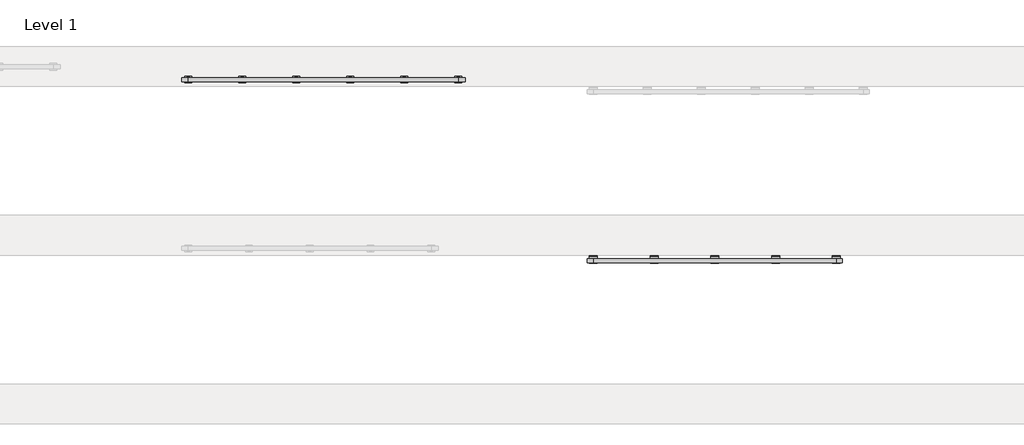
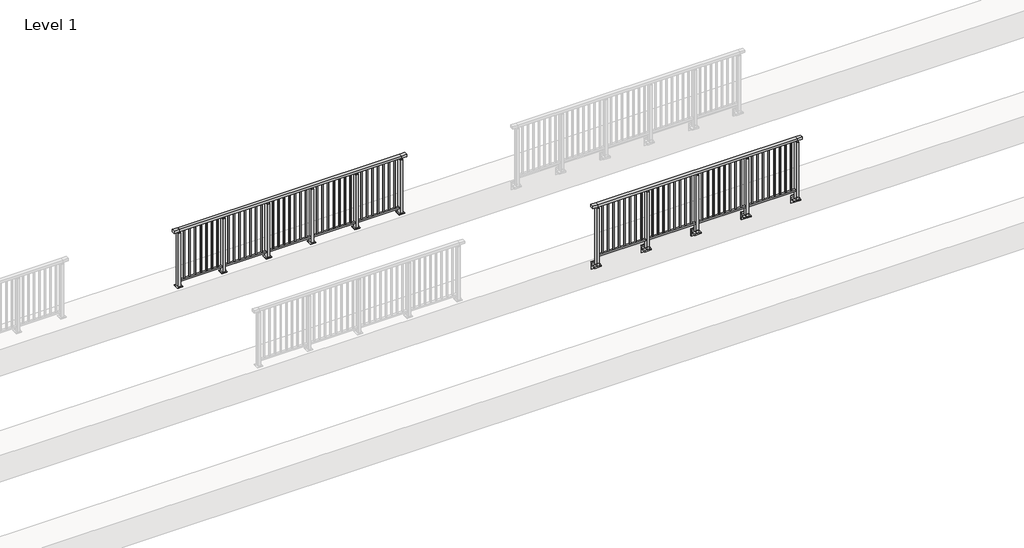
# One storey, part 15 of 37: 2 railings.
"""IFC4 building model written with IfcOpenShell, lengths in millimetres."""

import ifcopenshell
import ifcopenshell.guid

model = None  # the IFC model being written
_history = None  # IfcOwnerHistory: only IFC2X3 demands one
_inside = {}  # id of a spatial element -> (the spatial element, [elements in it])
_under = {}  # id of a project, library or spatial element -> (it, [spatial elements below it])
_declared = {}  # id of a project -> (the project, [libraries it declares])
_typed = {}  # id of a type object -> (the type object, [elements of that type])
_made_of = {}  # id of a material, layer set ... -> (it, [elements and type objects made of it])


def new_model(schema):
    """Start an empty IFC model of exactly this schema.

    Asked for "IFC4X3", IfcOpenShell would pick the latest addendum, in which some entities
    have other attributes; the version numbers below select the first issue.
    IFC2X3 requires an IfcOwnerHistory on every rooted entity: one is made here for all.
    """
    global model, _history
    if schema == "IFC4X3":
        model = ifcopenshell.file(schema_version=(4, 3, 0, 0))
    else:
        model = ifcopenshell.file(schema=schema)
    _inside.clear()
    _under.clear()
    _declared.clear()
    _typed.clear()
    _made_of.clear()
    _history = None
    if model.schema == "IFC2X3":
        org = make("IfcOrganization", Name="unknown")
        user = make(
            "IfcPersonAndOrganization",
            ThePerson=make("IfcPerson", FamilyName="unknown"),
            TheOrganization=org,
        )
        app = make(
            "IfcApplication",
            ApplicationDeveloper=org,
            Version="unknown",
            ApplicationFullName="unknown",
            ApplicationIdentifier="unknown",
        )
        _history = make(
            "IfcOwnerHistory",
            OwningUser=user,
            OwningApplication=app,
            ChangeAction="ADDED",
            CreationDate=0,
        )
    return model


def make(cls, **values):
    """One entity of the class cls with the attributes given. An attribute that is None is left unset."""
    return model.create_entity(
        cls, **{name: value for name, value in values.items() if value is not None}
    )


def rooted(cls, **values):
    """An entity with a GlobalId (a new one), such as an element, a storey or a relation."""
    return make(cls, GlobalId=ifcopenshell.guid.new(), OwnerHistory=_history, **values)


def si_unit(unit_type, name, prefix=None):
    """IfcSIUnit, for example si_unit("LENGTHUNIT", "METRE", prefix="MILLI")."""
    return make("IfcSIUnit", UnitType=unit_type, Prefix=prefix, Name=name)


def assignment(units):
    """IfcUnitAssignment: the units of a project."""
    return None if units is None else make("IfcUnitAssignment", Units=units)


def point(xyz):
    """IfcCartesianPoint."""
    return None if xyz is None else make("IfcCartesianPoint", Coordinates=xyz)


def direction(xyz):
    """IfcDirection."""
    return None if xyz is None else make("IfcDirection", DirectionRatios=xyz)


def frame(location, z_axis=None, x_axis=None):
    """IfcAxis2Placement3D, a coordinate frame: its origin and axes. An axis left out is left unset."""
    return make(
        "IfcAxis2Placement3D",
        Location=point(location),
        Axis=direction(z_axis),
        RefDirection=direction(x_axis),
    )


def frame_2d(location, x_axis=None):
    """IfcAxis2Placement2D, a coordinate frame in the plane: its origin and x axis."""
    return make(
        "IfcAxis2Placement2D", Location=point(location), RefDirection=direction(x_axis)
    )


def origin():
    """The frame at (0, 0, 0) with its axes left unset."""
    return frame((0.0, 0.0, 0.0))


def origin_with_axes():
    """The frame at (0, 0, 0) with the z axis (0, 0, 1) and the x axis (1, 0, 0) written out."""
    return frame((0.0, 0.0, 0.0), z_axis=(0.0, 0.0, 1.0), x_axis=(1.0, 0.0, 0.0))


def place(relative_to, where):
    """IfcLocalPlacement: puts the frame where relative to a parent placement (None: the world)."""
    return make(
        "IfcLocalPlacement", PlacementRelTo=relative_to, RelativePlacement=where
    )


def context(
    kind, dimensions, precision=None, world=None, true_north=None, identifier=None
):
    """IfcGeometricRepresentationContext, for example the 3D "Model" context."""
    return make(
        "IfcGeometricRepresentationContext",
        ContextIdentifier=identifier,
        ContextType=kind,
        CoordinateSpaceDimension=dimensions,
        Precision=precision,
        WorldCoordinateSystem=world,
        TrueNorth=true_north,
    )


def project(units=None, contexts=None):
    """IfcProject with its units and contexts."""
    return rooted(
        "IfcProject",
        Name="project",
        RepresentationContexts=contexts,
        UnitsInContext=assignment(units),
    )


def spatial(cls, under=None, at=None, **own):
    """A site, building, storey or space (cls), placed at a placement, below another one or the project."""
    s = rooted(cls, ObjectPlacement=at, **own)
    if under is not None:
        _under.setdefault(under.id(), (under, []))[1].append(s)
    return s


def polyline(points):
    """IfcPolyline through the points."""
    return make("IfcPolyline", Points=[point(p) for p in points])


def circle_curve(where, radius):
    """IfcCircle in the frame where."""
    return make("IfcCircle", Position=where, Radius=radius)


def trimmed(basis, trim1, trim2, sense, master):
    """IfcTrimmedCurve: the piece of a basis curve between two trims."""
    return make(
        "IfcTrimmedCurve",
        BasisCurve=basis,
        Trim1=trim1,
        Trim2=trim2,
        SenseAgreement=sense,
        MasterRepresentation=master,
    )


def segment(curve, same_sense, transition):
    """IfcCompositeCurveSegment."""
    return make(
        "IfcCompositeCurveSegment",
        Transition=transition,
        SameSense=same_sense,
        ParentCurve=curve,
    )


def composite_curve(segments, self_intersect=None):
    """IfcCompositeCurve: segments joined end to end."""
    return make("IfcCompositeCurve", Segments=segments, SelfIntersect=self_intersect)


def outline(outer, holes=None, kind="AREA"):
    """IfcArbitraryClosedProfileDef: a profile drawn as a closed curve; with holes, ...WithVoids."""
    if holes is None:
        return make("IfcArbitraryClosedProfileDef", ProfileType=kind, OuterCurve=outer)
    return make(
        "IfcArbitraryProfileDefWithVoids",
        ProfileType=kind,
        OuterCurve=outer,
        InnerCurves=holes,
    )


def extrude(swept, where, along, depth):
    """IfcExtrudedAreaSolid: the profile swept, set in the frame where, extruded along a direction by depth."""
    return make(
        "IfcExtrudedAreaSolid",
        SweptArea=swept,
        Position=where,
        ExtrudedDirection=direction(along),
        Depth=depth,
    )


def faces_of(points, faces, orient=None, outer=None):
    """IfcFace entities. A face is a list of loops; a loop is a list of indices into points, from 0.

    orient and outer hold one flag for each loop. By default every Orientation is true, the
    first loop of a face is its IfcFaceOuterBound and the others are IfcFaceBound.
    """
    made = []
    for i, loops in enumerate(faces):
        bounds = []
        for j, loop in enumerate(loops):
            is_outer = j == 0 if outer is None else outer[i][j]
            bounds.append(
                make(
                    "IfcFaceOuterBound" if is_outer else "IfcFaceBound",
                    Bound=make("IfcPolyLoop", Polygon=[points[k] for k in loop]),
                    Orientation=True if orient is None else orient[i][j],
                )
            )
        made.append(make("IfcFace", Bounds=bounds))
    return made


def faceted_brep(points, faces, orient=None, outer=None, voids=None):
    """IfcFacetedBrep: a solid bounded by flat faces; with voids (closed shells), ...WithVoids."""
    shared = [point(p) for p in points]
    hull = make("IfcClosedShell", CfsFaces=faces_of(shared, faces, orient, outer))
    if voids is None:
        return make("IfcFacetedBrep", Outer=hull)
    return make(
        "IfcFacetedBrepWithVoids",
        Outer=hull,
        Voids=[
            make(cls, CfsFaces=faces_of(shared, fs, o, b)) for cls, fs, o, b in voids
        ],
    )


def shape(context_of_items, identifier, shape_type, items):
    """IfcShapeRepresentation: the items that make up one representation, for example the "Body"."""
    return make(
        "IfcShapeRepresentation",
        ContextOfItems=context_of_items,
        RepresentationIdentifier=identifier,
        RepresentationType=shape_type,
        Items=items,
    )


def made_of(thing, what):
    """Note that an element or type object is made of a material, layer set ...; save() writes the relation."""
    if what is not None:
        _made_of.setdefault(what.id(), (what, []))[1].append(thing)
    return thing


def element(
    cls,
    number,
    at=None,
    inside=None,
    cuts=None,
    type_object=None,
    material=None,
    context=None,
    identifier="Body",
    shape_type=None,
    held_by="IfcProductDefinitionShape",
    body=None,
    shapes=None,
    **own,
):
    """One element of the class cls, such as IfcWall. Its Tag is "e" and its number.

    at: its placement. inside: the storey or other place that contains it. cuts: it is an
    opening in that element (IfcRelVoidsElement). A single representation is given by context,
    identifier, shape_type and body (its items); several are given by shapes. held_by: the class
    of the entity that holds the representations. save() writes the other relations.
    """
    e = rooted(cls, Tag="e%d" % number, ObjectPlacement=at, **own)
    if body is not None:
        shapes = [shape(context, identifier, shape_type, body)]
    if shapes is not None:
        e.Representation = make(held_by, Representations=shapes)
    if inside is not None:
        _inside.setdefault(inside.id(), (inside, []))[1].append(e)
    if cuts is not None:
        rooted(
            "IfcRelVoidsElement", RelatingBuildingElement=cuts, RelatedOpeningElement=e
        )
    if type_object is not None:
        _typed.setdefault(type_object.id(), (type_object, []))[1].append(e)
    return made_of(e, material)


def aggregate(whole, parts):
    """IfcRelAggregates: a whole, such as a stair, and the parts it consists of."""
    return rooted("IfcRelAggregates", RelatingObject=whole, RelatedObjects=parts)


def save(model, path):
    """Write the relations noted so far, then the file.

    IfcRelAggregates (storeys below a building ...), IfcRelContainedInSpatialStructure (elements
    in a storey), IfcRelDefinesByType, IfcRelAssociatesMaterial and IfcRelDeclares: one each for
    every whole, place, type object, material and project.
    """
    for whole, parts in _under.values():
        aggregate(whole, parts)
    for where, things in _inside.values():
        rooted(
            "IfcRelContainedInSpatialStructure",
            RelatedElements=things,
            RelatingStructure=where,
        )
    for kind, things in _typed.values():
        rooted("IfcRelDefinesByType", RelatedObjects=things, RelatingType=kind)
    for what, things in _made_of.values():
        rooted("IfcRelAssociatesMaterial", RelatedObjects=things, RelatingMaterial=what)
    for by, libraries in _declared.values():
        rooted("IfcRelDeclares", RelatingContext=by, RelatedDefinitions=libraries)
    model.write(path)


model = new_model("IFC4")

# Units and contexts
model_context = context("Model", 3, world=origin())
ifc_project = project(units=[si_unit("LENGTHUNIT", "METRE", prefix="MILLI")], contexts=[model_context])

# Site, building, storey
site = spatial("IfcSite", under=ifc_project)
building = spatial("IfcBuilding", under=site)
storey = spatial("IfcBuildingStorey", under=building, Name="Level 1", Elevation=0.0)

# Railings
placement = place(None, origin())
element("IfcRailing", 1, at=placement, inside=storey, context=model_context, shape_type="SolidModel", body=[
    faceted_brep([(11910.0, 19847.6846828, 1100.0), (11910.0, 19847.6846828, 1055.0), (11910.0, 19787.6846828, 1055.0), (11910.0, 19787.6846828, 1100.0), (12000.0, 19847.6846828, 1100.0), (12000.0, 19847.6846828, 1055.0), (12000.0, 19787.6846828, 1055.0), (12000.0, 19787.6846828, 1100.0), (15600.0, 19847.6846828, 1100.0), (15600.0, 19847.6846828, 1055.0), (15600.0, 19787.6846828, 1055.0), (15600.0, 19787.6846828, 1100.0), (15690.0, 19847.6846828, 1100.0), (15690.0, 19787.6846828, 1100.0), (15690.0, 19787.6846828, 1055.0), (15690.0, 19847.6846828, 1055.0)], [[[0, 1, 2, 3]], [[1, 0, 4, 5]], [[2, 1, 5, 6]], [[3, 2, 6, 7]], [[0, 3, 7, 4]], [[5, 4, 8, 9]], [[6, 5, 9, 10]], [[7, 6, 10, 11]], [[4, 7, 11, 8]], [[12, 13, 14, 15]], [[9, 8, 12, 15]], [[10, 9, 15, 14]], [[11, 10, 14, 13]], [[8, 11, 13, 12]]]),
    extrude(outline(polyline([(12000.0, 19800.1846828), (12000.0, 19835.1846828), (15600.0, 19835.1846828), (15600.0, 19800.1846828), (12000.0, 19800.1846828)])), frame((0.0, 0.0, 95.0), z_axis=(0.0, 0.0, 1.0), x_axis=(1.0, 0.0, 0.0)), (0.0, 0.0, 1.0), 30.0),
    extrude(outline(polyline([(15508.5, 19809.1846828), (15491.5, 19809.1846828), (15491.5, 19826.1846828), (15508.5, 19826.1846828), (15508.5, 19809.1846828)])), frame((0.0, 0.0, 125.0), z_axis=(0.0, 0.0, 1.0), x_axis=(1.0, 0.0, 0.0)), (0.0, 0.0, 1.0), 930.0),
    extrude(outline(polyline([(15408.5, 19809.1846828), (15391.5, 19809.1846828), (15391.5, 19826.1846828), (15408.5, 19826.1846828), (15408.5, 19809.1846828)])), frame((0.0, 0.0, 125.0), z_axis=(0.0, 0.0, 1.0), x_axis=(1.0, 0.0, 0.0)), (0.0, 0.0, 1.0), 930.0),
    extrude(outline(polyline([(15308.5, 19809.1846828), (15291.5, 19809.1846828), (15291.5, 19826.1846828), (15308.5, 19826.1846828), (15308.5, 19809.1846828)])), frame((0.0, 0.0, 125.0), z_axis=(0.0, 0.0, 1.0), x_axis=(1.0, 0.0, 0.0)), (0.0, 0.0, 1.0), 930.0),
    extrude(outline(polyline([(15208.5, 19809.1846828), (15191.5, 19809.1846828), (15191.5, 19826.1846828), (15208.5, 19826.1846828), (15208.5, 19809.1846828)])), frame((0.0, 0.0, 125.0), z_axis=(0.0, 0.0, 1.0), x_axis=(1.0, 0.0, 0.0)), (0.0, 0.0, 1.0), 930.0),
    extrude(outline(polyline([(15108.5, 19809.1846828), (15091.5, 19809.1846828), (15091.5, 19826.1846828), (15108.5, 19826.1846828), (15108.5, 19809.1846828)])), frame((0.0, 0.0, 125.0), z_axis=(0.0, 0.0, 1.0), x_axis=(1.0, 0.0, 0.0)), (0.0, 0.0, 1.0), 930.0),
    extrude(outline(polyline([(15008.5, 19809.1846828), (14991.5, 19809.1846828), (14991.5, 19826.1846828), (15008.5, 19826.1846828), (15008.5, 19809.1846828)])), frame((0.0, 0.0, 125.0), z_axis=(0.0, 0.0, 1.0), x_axis=(1.0, 0.0, 0.0)), (0.0, 0.0, 1.0), 930.0),
    extrude(outline(polyline([(14908.5, 19809.1846828), (14891.5, 19809.1846828), (14891.5, 19826.1846828), (14908.5, 19826.1846828), (14908.5, 19809.1846828)])), frame((0.0, 0.0, 125.0), z_axis=(0.0, 0.0, 1.0), x_axis=(1.0, 0.0, 0.0)), (0.0, 0.0, 1.0), 930.0),
    extrude(outline(polyline([(14808.5, 19809.1846828), (14791.5, 19809.1846828), (14791.5, 19826.1846828), (14808.5, 19826.1846828), (14808.5, 19809.1846828)])), frame((0.0, 0.0, 125.0), z_axis=(0.0, 0.0, 1.0), x_axis=(1.0, 0.0, 0.0)), (0.0, 0.0, 1.0), 930.0),
    extrude(outline(composite_curve([segment(polyline([(19850.1846828, -70.0), (19884.1846828, -63.0), (19884.1846828, -32.5), (19900.1846828, -32.5), (19900.1846828, -167.5), (19884.1846828, -167.5), (19884.1846828, -113.5)]), True, "CONTINUOUS"), segment(trimmed(circle_curve(frame_2d((19864.1846828, -113.5)), 20.0), [point((19884.1846828, -113.5))], [point((19864.1846828, -93.5))], True, "CARTESIAN"), True, "CONTINUOUS"), segment(polyline([(19864.1846828, -93.5), (19780.1846828, -93.5), (19780.1846828, -70.0), (19850.1846828, -70.0)]), True, "CONTINUOUS")], self_intersect=False)), frame((14640.0, 0.0, 0.0), z_axis=(1.0, 0.0, 0.0), x_axis=(0.0, 1.0, 0.0)), (0.0, 0.0, 1.0), 120.0),
    extrude(outline(polyline([(14722.5, 19850.1846828), (14722.5, 19785.1846828), (14677.5, 19785.1846828), (14677.5, 19850.1846828), (14722.5, 19850.1846828)])), frame((0.0, 0.0, -70.0), z_axis=(0.0, 0.0, 1.0), x_axis=(1.0, 0.0, 0.0)), (0.0, 0.0, 1.0), 1097.0),
    extrude(outline(polyline([(14710.0, 19827.6846828), (14710.0, 19807.6846828), (14690.0, 19807.6846828), (14690.0, 19827.6846828), (14710.0, 19827.6846828)])), frame((0.0, 0.0, 1035.0), z_axis=(0.0, 0.0, 1.0), x_axis=(1.0, 0.0, 0.0)), (0.0, 0.0, 1.0), 20.0),
    extrude(outline(polyline([(14722.5, 19850.1846828), (14722.5, 19785.1846828), (14677.5, 19785.1846828), (14677.5, 19850.1846828), (14722.5, 19850.1846828)])), frame((0.0, 0.0, 1027.0), z_axis=(0.0, 0.0, 1.0), x_axis=(1.0, 0.0, 0.0)), (0.0, 0.0, 1.0), 8.0),
    extrude(outline(polyline([(14608.5, 19809.1846828), (14591.5, 19809.1846828), (14591.5, 19826.1846828), (14608.5, 19826.1846828), (14608.5, 19809.1846828)])), frame((0.0, 0.0, 125.0), z_axis=(0.0, 0.0, 1.0), x_axis=(1.0, 0.0, 0.0)), (0.0, 0.0, 1.0), 930.0),
    extrude(outline(polyline([(14508.5, 19809.1846828), (14491.5, 19809.1846828), (14491.5, 19826.1846828), (14508.5, 19826.1846828), (14508.5, 19809.1846828)])), frame((0.0, 0.0, 125.0), z_axis=(0.0, 0.0, 1.0), x_axis=(1.0, 0.0, 0.0)), (0.0, 0.0, 1.0), 930.0),
    extrude(outline(polyline([(14408.5, 19809.1846828), (14391.5, 19809.1846828), (14391.5, 19826.1846828), (14408.5, 19826.1846828), (14408.5, 19809.1846828)])), frame((0.0, 0.0, 125.0), z_axis=(0.0, 0.0, 1.0), x_axis=(1.0, 0.0, 0.0)), (0.0, 0.0, 1.0), 930.0),
    extrude(outline(polyline([(14308.5, 19809.1846828), (14291.5, 19809.1846828), (14291.5, 19826.1846828), (14308.5, 19826.1846828), (14308.5, 19809.1846828)])), frame((0.0, 0.0, 125.0), z_axis=(0.0, 0.0, 1.0), x_axis=(1.0, 0.0, 0.0)), (0.0, 0.0, 1.0), 930.0),
    extrude(outline(polyline([(14208.5, 19809.1846828), (14191.5, 19809.1846828), (14191.5, 19826.1846828), (14208.5, 19826.1846828), (14208.5, 19809.1846828)])), frame((0.0, 0.0, 125.0), z_axis=(0.0, 0.0, 1.0), x_axis=(1.0, 0.0, 0.0)), (0.0, 0.0, 1.0), 930.0),
    extrude(outline(polyline([(14108.5, 19809.1846828), (14091.5, 19809.1846828), (14091.5, 19826.1846828), (14108.5, 19826.1846828), (14108.5, 19809.1846828)])), frame((0.0, 0.0, 125.0), z_axis=(0.0, 0.0, 1.0), x_axis=(1.0, 0.0, 0.0)), (0.0, 0.0, 1.0), 930.0),
    extrude(outline(polyline([(14008.5, 19809.1846828), (13991.5, 19809.1846828), (13991.5, 19826.1846828), (14008.5, 19826.1846828), (14008.5, 19809.1846828)])), frame((0.0, 0.0, 125.0), z_axis=(0.0, 0.0, 1.0), x_axis=(1.0, 0.0, 0.0)), (0.0, 0.0, 1.0), 930.0),
    extrude(outline(polyline([(13908.5, 19809.1846828), (13891.5, 19809.1846828), (13891.5, 19826.1846828), (13908.5, 19826.1846828), (13908.5, 19809.1846828)])), frame((0.0, 0.0, 125.0), z_axis=(0.0, 0.0, 1.0), x_axis=(1.0, 0.0, 0.0)), (0.0, 0.0, 1.0), 930.0),
    extrude(outline(composite_curve([segment(polyline([(19850.1846828, -70.0), (19884.1846828, -63.0), (19884.1846828, -32.5), (19900.1846828, -32.5), (19900.1846828, -167.5), (19884.1846828, -167.5), (19884.1846828, -113.5)]), True, "CONTINUOUS"), segment(trimmed(circle_curve(frame_2d((19864.1846828, -113.5)), 20.0), [point((19884.1846828, -113.5))], [point((19864.1846828, -93.5))], True, "CARTESIAN"), True, "CONTINUOUS"), segment(polyline([(19864.1846828, -93.5), (19780.1846828, -93.5), (19780.1846828, -70.0), (19850.1846828, -70.0)]), True, "CONTINUOUS")], self_intersect=False)), frame((13740.0, 0.0, 0.0), z_axis=(1.0, 0.0, 0.0), x_axis=(0.0, 1.0, 0.0)), (0.0, 0.0, 1.0), 120.0),
    extrude(outline(polyline([(13822.5, 19850.1846828), (13822.5, 19785.1846828), (13777.5, 19785.1846828), (13777.5, 19850.1846828), (13822.5, 19850.1846828)])), frame((0.0, 0.0, -70.0), z_axis=(0.0, 0.0, 1.0), x_axis=(1.0, 0.0, 0.0)), (0.0, 0.0, 1.0), 1097.0),
    extrude(outline(polyline([(13810.0, 19827.6846828), (13810.0, 19807.6846828), (13790.0, 19807.6846828), (13790.0, 19827.6846828), (13810.0, 19827.6846828)])), frame((0.0, 0.0, 1035.0), z_axis=(0.0, 0.0, 1.0), x_axis=(1.0, 0.0, 0.0)), (0.0, 0.0, 1.0), 20.0),
    extrude(outline(polyline([(13822.5, 19850.1846828), (13822.5, 19785.1846828), (13777.5, 19785.1846828), (13777.5, 19850.1846828), (13822.5, 19850.1846828)])), frame((0.0, 0.0, 1027.0), z_axis=(0.0, 0.0, 1.0), x_axis=(1.0, 0.0, 0.0)), (0.0, 0.0, 1.0), 8.0),
    extrude(outline(polyline([(13708.5, 19809.1846828), (13691.5, 19809.1846828), (13691.5, 19826.1846828), (13708.5, 19826.1846828), (13708.5, 19809.1846828)])), frame((0.0, 0.0, 125.0), z_axis=(0.0, 0.0, 1.0), x_axis=(1.0, 0.0, 0.0)), (0.0, 0.0, 1.0), 930.0),
    extrude(outline(polyline([(13608.5, 19809.1846828), (13591.5, 19809.1846828), (13591.5, 19826.1846828), (13608.5, 19826.1846828), (13608.5, 19809.1846828)])), frame((0.0, 0.0, 125.0), z_axis=(0.0, 0.0, 1.0), x_axis=(1.0, 0.0, 0.0)), (0.0, 0.0, 1.0), 930.0),
    extrude(outline(polyline([(13508.5, 19809.1846828), (13491.5, 19809.1846828), (13491.5, 19826.1846828), (13508.5, 19826.1846828), (13508.5, 19809.1846828)])), frame((0.0, 0.0, 125.0), z_axis=(0.0, 0.0, 1.0), x_axis=(1.0, 0.0, 0.0)), (0.0, 0.0, 1.0), 930.0),
    extrude(outline(polyline([(13408.5, 19809.1846828), (13391.5, 19809.1846828), (13391.5, 19826.1846828), (13408.5, 19826.1846828), (13408.5, 19809.1846828)])), frame((0.0, 0.0, 125.0), z_axis=(0.0, 0.0, 1.0), x_axis=(1.0, 0.0, 0.0)), (0.0, 0.0, 1.0), 930.0),
    extrude(outline(polyline([(13308.5, 19809.1846828), (13291.5, 19809.1846828), (13291.5, 19826.1846828), (13308.5, 19826.1846828), (13308.5, 19809.1846828)])), frame((0.0, 0.0, 125.0), z_axis=(0.0, 0.0, 1.0), x_axis=(1.0, 0.0, 0.0)), (0.0, 0.0, 1.0), 930.0),
    extrude(outline(polyline([(13208.5, 19809.1846828), (13191.5, 19809.1846828), (13191.5, 19826.1846828), (13208.5, 19826.1846828), (13208.5, 19809.1846828)])), frame((0.0, 0.0, 125.0), z_axis=(0.0, 0.0, 1.0), x_axis=(1.0, 0.0, 0.0)), (0.0, 0.0, 1.0), 930.0),
    extrude(outline(polyline([(13108.5, 19809.1846828), (13091.5, 19809.1846828), (13091.5, 19826.1846828), (13108.5, 19826.1846828), (13108.5, 19809.1846828)])), frame((0.0, 0.0, 125.0), z_axis=(0.0, 0.0, 1.0), x_axis=(1.0, 0.0, 0.0)), (0.0, 0.0, 1.0), 930.0),
    extrude(outline(polyline([(13008.5, 19809.1846828), (12991.5, 19809.1846828), (12991.5, 19826.1846828), (13008.5, 19826.1846828), (13008.5, 19809.1846828)])), frame((0.0, 0.0, 125.0), z_axis=(0.0, 0.0, 1.0), x_axis=(1.0, 0.0, 0.0)), (0.0, 0.0, 1.0), 930.0),
    extrude(outline(composite_curve([segment(polyline([(19850.1846828, -70.0), (19884.1846828, -63.0), (19884.1846828, -32.5), (19900.1846828, -32.5), (19900.1846828, -167.5), (19884.1846828, -167.5), (19884.1846828, -113.5)]), True, "CONTINUOUS"), segment(trimmed(circle_curve(frame_2d((19864.1846828, -113.5)), 20.0), [point((19884.1846828, -113.5))], [point((19864.1846828, -93.5))], True, "CARTESIAN"), True, "CONTINUOUS"), segment(polyline([(19864.1846828, -93.5), (19780.1846828, -93.5), (19780.1846828, -70.0), (19850.1846828, -70.0)]), True, "CONTINUOUS")], self_intersect=False)), frame((12840.0, 0.0, 0.0), z_axis=(1.0, 0.0, 0.0), x_axis=(0.0, 1.0, 0.0)), (0.0, 0.0, 1.0), 120.0),
    extrude(outline(polyline([(12922.5, 19850.1846828), (12922.5, 19785.1846828), (12877.5, 19785.1846828), (12877.5, 19850.1846828), (12922.5, 19850.1846828)])), frame((0.0, 0.0, -70.0), z_axis=(0.0, 0.0, 1.0), x_axis=(1.0, 0.0, 0.0)), (0.0, 0.0, 1.0), 1097.0),
    extrude(outline(polyline([(12910.0, 19827.6846828), (12910.0, 19807.6846828), (12890.0, 19807.6846828), (12890.0, 19827.6846828), (12910.0, 19827.6846828)])), frame((0.0, 0.0, 1035.0), z_axis=(0.0, 0.0, 1.0), x_axis=(1.0, 0.0, 0.0)), (0.0, 0.0, 1.0), 20.0),
    extrude(outline(polyline([(12922.5, 19850.1846828), (12922.5, 19785.1846828), (12877.5, 19785.1846828), (12877.5, 19850.1846828), (12922.5, 19850.1846828)])), frame((0.0, 0.0, 1027.0), z_axis=(0.0, 0.0, 1.0), x_axis=(1.0, 0.0, 0.0)), (0.0, 0.0, 1.0), 8.0),
    extrude(outline(polyline([(12808.5, 19809.1846828), (12791.5, 19809.1846828), (12791.5, 19826.1846828), (12808.5, 19826.1846828), (12808.5, 19809.1846828)])), frame((0.0, 0.0, 125.0), z_axis=(0.0, 0.0, 1.0), x_axis=(1.0, 0.0, 0.0)), (0.0, 0.0, 1.0), 930.0),
    extrude(outline(polyline([(12708.5, 19809.1846828), (12691.5, 19809.1846828), (12691.5, 19826.1846828), (12708.5, 19826.1846828), (12708.5, 19809.1846828)])), frame((0.0, 0.0, 125.0), z_axis=(0.0, 0.0, 1.0), x_axis=(1.0, 0.0, 0.0)), (0.0, 0.0, 1.0), 930.0),
    extrude(outline(polyline([(12608.5, 19809.1846828), (12591.5, 19809.1846828), (12591.5, 19826.1846828), (12608.5, 19826.1846828), (12608.5, 19809.1846828)])), frame((0.0, 0.0, 125.0), z_axis=(0.0, 0.0, 1.0), x_axis=(1.0, 0.0, 0.0)), (0.0, 0.0, 1.0), 930.0),
    extrude(outline(polyline([(12508.5, 19809.1846828), (12491.5, 19809.1846828), (12491.5, 19826.1846828), (12508.5, 19826.1846828), (12508.5, 19809.1846828)])), frame((0.0, 0.0, 125.0), z_axis=(0.0, 0.0, 1.0), x_axis=(1.0, 0.0, 0.0)), (0.0, 0.0, 1.0), 930.0),
    extrude(outline(polyline([(12408.5, 19809.1846828), (12391.5, 19809.1846828), (12391.5, 19826.1846828), (12408.5, 19826.1846828), (12408.5, 19809.1846828)])), frame((0.0, 0.0, 125.0), z_axis=(0.0, 0.0, 1.0), x_axis=(1.0, 0.0, 0.0)), (0.0, 0.0, 1.0), 930.0),
    extrude(outline(polyline([(12308.5, 19809.1846828), (12291.5, 19809.1846828), (12291.5, 19826.1846828), (12308.5, 19826.1846828), (12308.5, 19809.1846828)])), frame((0.0, 0.0, 125.0), z_axis=(0.0, 0.0, 1.0), x_axis=(1.0, 0.0, 0.0)), (0.0, 0.0, 1.0), 930.0),
    extrude(outline(polyline([(12208.5, 19809.1846828), (12191.5, 19809.1846828), (12191.5, 19826.1846828), (12208.5, 19826.1846828), (12208.5, 19809.1846828)])), frame((0.0, 0.0, 125.0), z_axis=(0.0, 0.0, 1.0), x_axis=(1.0, 0.0, 0.0)), (0.0, 0.0, 1.0), 930.0),
    extrude(outline(polyline([(12108.5, 19809.1846828), (12091.5, 19809.1846828), (12091.5, 19826.1846828), (12108.5, 19826.1846828), (12108.5, 19809.1846828)])), frame((0.0, 0.0, 125.0), z_axis=(0.0, 0.0, 1.0), x_axis=(1.0, 0.0, 0.0)), (0.0, 0.0, 1.0), 930.0),
    extrude(outline(composite_curve([segment(polyline([(19850.1846828, -70.0), (19884.1846828, -63.0), (19884.1846828, -32.5), (19900.1846828, -32.5), (19900.1846828, -167.5), (19884.1846828, -167.5), (19884.1846828, -113.5)]), True, "CONTINUOUS"), segment(trimmed(circle_curve(frame_2d((19864.1846828, -113.5)), 20.0), [point((19884.1846828, -113.5))], [point((19864.1846828, -93.5))], True, "CARTESIAN"), True, "CONTINUOUS"), segment(polyline([(19864.1846828, -93.5), (19780.1846828, -93.5), (19780.1846828, -70.0), (19850.1846828, -70.0)]), True, "CONTINUOUS")], self_intersect=False)), frame((15540.0, 0.0, 0.0), z_axis=(1.0, 0.0, 0.0), x_axis=(0.0, 1.0, 0.0)), (0.0, 0.0, 1.0), 120.0),
    extrude(outline(polyline([(15622.5, 19850.1846828), (15622.5, 19785.1846828), (15577.5, 19785.1846828), (15577.5, 19850.1846828), (15622.5, 19850.1846828)])), frame((0.0, 0.0, -70.0), z_axis=(0.0, 0.0, 1.0), x_axis=(1.0, 0.0, 0.0)), (0.0, 0.0, 1.0), 1097.0),
    extrude(outline(polyline([(15610.0, 19827.6846828), (15610.0, 19807.6846828), (15590.0, 19807.6846828), (15590.0, 19827.6846828), (15610.0, 19827.6846828)])), frame((0.0, 0.0, 1035.0), z_axis=(0.0, 0.0, 1.0), x_axis=(1.0, 0.0, 0.0)), (0.0, 0.0, 1.0), 20.0),
    extrude(outline(polyline([(15622.5, 19850.1846828), (15622.5, 19785.1846828), (15577.5, 19785.1846828), (15577.5, 19850.1846828), (15622.5, 19850.1846828)])), frame((0.0, 0.0, 1027.0), z_axis=(0.0, 0.0, 1.0), x_axis=(1.0, 0.0, 0.0)), (0.0, 0.0, 1.0), 8.0),
    extrude(outline(composite_curve([segment(polyline([(19850.1846828, -70.0), (19884.1846828, -63.0), (19884.1846828, -32.5), (19900.1846828, -32.5), (19900.1846828, -167.5), (19884.1846828, -167.5), (19884.1846828, -113.5)]), True, "CONTINUOUS"), segment(trimmed(circle_curve(frame_2d((19864.1846828, -113.5)), 20.0), [point((19884.1846828, -113.5))], [point((19864.1846828, -93.5))], True, "CARTESIAN"), True, "CONTINUOUS"), segment(polyline([(19864.1846828, -93.5), (19780.1846828, -93.5), (19780.1846828, -70.0), (19850.1846828, -70.0)]), True, "CONTINUOUS")], self_intersect=False)), frame((11940.0, 0.0, 0.0), z_axis=(1.0, 0.0, 0.0), x_axis=(0.0, 1.0, 0.0)), (0.0, 0.0, 1.0), 120.0),
    extrude(outline(polyline([(12022.5, 19850.1846828), (12022.5, 19785.1846828), (11977.5, 19785.1846828), (11977.5, 19850.1846828), (12022.5, 19850.1846828)])), frame((0.0, 0.0, -70.0), z_axis=(0.0, 0.0, 1.0), x_axis=(1.0, 0.0, 0.0)), (0.0, 0.0, 1.0), 1097.0),
    extrude(outline(polyline([(12010.0, 19827.6846828), (12010.0, 19807.6846828), (11990.0, 19807.6846828), (11990.0, 19827.6846828), (12010.0, 19827.6846828)])), frame((0.0, 0.0, 1035.0), z_axis=(0.0, 0.0, 1.0), x_axis=(1.0, 0.0, 0.0)), (0.0, 0.0, 1.0), 20.0),
    extrude(outline(polyline([(12022.5, 19850.1846828), (12022.5, 19785.1846828), (11977.5, 19785.1846828), (11977.5, 19850.1846828), (12022.5, 19850.1846828)])), frame((0.0, 0.0, 1027.0), z_axis=(0.0, 0.0, 1.0), x_axis=(1.0, 0.0, 0.0)), (0.0, 0.0, 1.0), 8.0),
])
element("IfcRailing", 2, at=placement, inside=storey, context=model_context, shape_type="SolidModel", body=[
    faceted_brep([(6000.0, 22530.1846828, 1055.0), (6000.0, 22530.1846828, 1100.0), (10000.0, 22530.1846828, 1100.0), (10000.0, 22530.1846828, 1055.0), (6000.0, 22470.1846828, 1055.0), (10000.0, 22470.1846828, 1055.0), (6000.0, 22470.1846828, 1100.0), (10000.0, 22470.1846828, 1100.0), (5900.0, 22530.1846828, 1100.0), (5900.0, 22530.1846828, 1055.0), (5900.0, 22470.1846828, 1055.0), (5900.0, 22470.1846828, 1100.0), (10100.0, 22530.1846828, 1100.0), (10100.0, 22470.1846828, 1100.0), (10100.0, 22470.1846828, 1055.0), (10100.0, 22530.1846828, 1055.0)], [[[0, 1, 2, 3]], [[4, 0, 3, 5]], [[6, 4, 5, 7]], [[1, 6, 7, 2]], [[8, 9, 10, 11]], [[9, 8, 1, 0]], [[10, 9, 0, 4]], [[11, 10, 4, 6]], [[8, 11, 6, 1]], [[12, 13, 14, 15]], [[3, 2, 12, 15]], [[5, 3, 15, 14]], [[7, 5, 14, 13]], [[2, 7, 13, 12]]]),
    extrude(outline(polyline([(6000.0, 22482.6846828), (6000.0, 22517.6846828), (10000.0, 22517.6846828), (10000.0, 22482.6846828), (6000.0, 22482.6846828)])), frame((0.0, 0.0, 95.0), z_axis=(0.0, 0.0, 1.0), x_axis=(1.0, 0.0, 0.0)), (0.0, 0.0, 1.0), 30.0),
    extrude(outline(polyline([(9908.5, 22508.6846828), (9908.5, 22491.6846828), (9891.5, 22491.6846828), (9891.5, 22508.6846828), (9908.5, 22508.6846828)])), frame((0.0, 0.0, 125.0), z_axis=(0.0, 0.0, 1.0), x_axis=(1.0, 0.0, 0.0)), (0.0, 0.0, 1.0), 930.0),
    extrude(outline(polyline([(9808.5, 22508.6846828), (9808.5, 22491.6846828), (9791.5, 22491.6846828), (9791.5, 22508.6846828), (9808.5, 22508.6846828)])), frame((0.0, 0.0, 125.0), z_axis=(0.0, 0.0, 1.0), x_axis=(1.0, 0.0, 0.0)), (0.0, 0.0, 1.0), 930.0),
    extrude(outline(polyline([(9708.5, 22508.6846828), (9708.5, 22491.6846828), (9691.5, 22491.6846828), (9691.5, 22508.6846828), (9708.5, 22508.6846828)])), frame((0.0, 0.0, 125.0), z_axis=(0.0, 0.0, 1.0), x_axis=(1.0, 0.0, 0.0)), (0.0, 0.0, 1.0), 930.0),
    extrude(outline(polyline([(9608.5, 22508.6846828), (9608.5, 22491.6846828), (9591.5, 22491.6846828), (9591.5, 22508.6846828), (9608.5, 22508.6846828)])), frame((0.0, 0.0, 125.0), z_axis=(0.0, 0.0, 1.0), x_axis=(1.0, 0.0, 0.0)), (0.0, 0.0, 1.0), 930.0),
    extrude(outline(polyline([(9508.5, 22508.6846828), (9508.5, 22491.6846828), (9491.5, 22491.6846828), (9491.5, 22508.6846828), (9508.5, 22508.6846828)])), frame((0.0, 0.0, 125.0), z_axis=(0.0, 0.0, 1.0), x_axis=(1.0, 0.0, 0.0)), (0.0, 0.0, 1.0), 930.0),
    extrude(outline(polyline([(9408.5, 22508.6846828), (9408.5, 22491.6846828), (9391.5, 22491.6846828), (9391.5, 22508.6846828), (9408.5, 22508.6846828)])), frame((0.0, 0.0, 125.0), z_axis=(0.0, 0.0, 1.0), x_axis=(1.0, 0.0, 0.0)), (0.0, 0.0, 1.0), 930.0),
    extrude(outline(polyline([(9308.5, 22508.6846828), (9308.5, 22491.6846828), (9291.5, 22491.6846828), (9291.5, 22508.6846828), (9308.5, 22508.6846828)])), frame((0.0, 0.0, 125.0), z_axis=(0.0, 0.0, 1.0), x_axis=(1.0, 0.0, 0.0)), (0.0, 0.0, 1.0), 930.0),
    extrude(outline(polyline([(9210.0, 22490.1846828), (9190.0, 22490.1846828), (9190.0, 22510.1846828), (9210.0, 22510.1846828), (9210.0, 22490.1846828)])), frame((0.0, 0.0, 1035.0), z_axis=(0.0, 0.0, 1.0), x_axis=(1.0, 0.0, 0.0)), (0.0, 0.0, 1.0), 20.0),
    extrude(outline(polyline([(9222.5, 22467.6846828), (9177.5, 22467.6846828), (9177.5, 22532.6846828), (9222.5, 22532.6846828), (9222.5, 22467.6846828)])), frame((0.0, 0.0, 1027.0), z_axis=(0.0, 0.0, 1.0), x_axis=(1.0, 0.0, 0.0)), (0.0, 0.0, 1.0), 8.0),
    extrude(outline(polyline([(9250.0, 22450.1846828), (9150.0, 22450.1846828), (9150.0, 22550.1846828), (9250.0, 22550.1846828), (9250.0, 22450.1846828)])), origin_with_axes(), (0.0, 0.0, 1.0), 12.0),
    extrude(outline(polyline([(9222.5, 22467.6846828), (9177.5, 22467.6846828), (9177.5, 22532.6846828), (9222.5, 22532.6846828), (9222.5, 22467.6846828)])), frame((0.0, 0.0, 12.0), z_axis=(0.0, 0.0, 1.0), x_axis=(1.0, 0.0, 0.0)), (0.0, 0.0, 1.0), 1015.0),
    extrude(outline(polyline([(9108.5, 22508.6846828), (9108.5, 22491.6846828), (9091.5, 22491.6846828), (9091.5, 22508.6846828), (9108.5, 22508.6846828)])), frame((0.0, 0.0, 125.0), z_axis=(0.0, 0.0, 1.0), x_axis=(1.0, 0.0, 0.0)), (0.0, 0.0, 1.0), 930.0),
    extrude(outline(polyline([(9008.5, 22508.6846828), (9008.5, 22491.6846828), (8991.5, 22491.6846828), (8991.5, 22508.6846828), (9008.5, 22508.6846828)])), frame((0.0, 0.0, 125.0), z_axis=(0.0, 0.0, 1.0), x_axis=(1.0, 0.0, 0.0)), (0.0, 0.0, 1.0), 930.0),
    extrude(outline(polyline([(8908.5, 22508.6846828), (8908.5, 22491.6846828), (8891.5, 22491.6846828), (8891.5, 22508.6846828), (8908.5, 22508.6846828)])), frame((0.0, 0.0, 125.0), z_axis=(0.0, 0.0, 1.0), x_axis=(1.0, 0.0, 0.0)), (0.0, 0.0, 1.0), 930.0),
    extrude(outline(polyline([(8808.5, 22508.6846828), (8808.5, 22491.6846828), (8791.5, 22491.6846828), (8791.5, 22508.6846828), (8808.5, 22508.6846828)])), frame((0.0, 0.0, 125.0), z_axis=(0.0, 0.0, 1.0), x_axis=(1.0, 0.0, 0.0)), (0.0, 0.0, 1.0), 930.0),
    extrude(outline(polyline([(8708.5, 22508.6846828), (8708.5, 22491.6846828), (8691.5, 22491.6846828), (8691.5, 22508.6846828), (8708.5, 22508.6846828)])), frame((0.0, 0.0, 125.0), z_axis=(0.0, 0.0, 1.0), x_axis=(1.0, 0.0, 0.0)), (0.0, 0.0, 1.0), 930.0),
    extrude(outline(polyline([(8608.5, 22508.6846828), (8608.5, 22491.6846828), (8591.5, 22491.6846828), (8591.5, 22508.6846828), (8608.5, 22508.6846828)])), frame((0.0, 0.0, 125.0), z_axis=(0.0, 0.0, 1.0), x_axis=(1.0, 0.0, 0.0)), (0.0, 0.0, 1.0), 930.0),
    extrude(outline(polyline([(8508.5, 22508.6846828), (8508.5, 22491.6846828), (8491.5, 22491.6846828), (8491.5, 22508.6846828), (8508.5, 22508.6846828)])), frame((0.0, 0.0, 125.0), z_axis=(0.0, 0.0, 1.0), x_axis=(1.0, 0.0, 0.0)), (0.0, 0.0, 1.0), 930.0),
    extrude(outline(polyline([(8410.0, 22490.1846828), (8390.0, 22490.1846828), (8390.0, 22510.1846828), (8410.0, 22510.1846828), (8410.0, 22490.1846828)])), frame((0.0, 0.0, 1035.0), z_axis=(0.0, 0.0, 1.0), x_axis=(1.0, 0.0, 0.0)), (0.0, 0.0, 1.0), 20.0),
    extrude(outline(polyline([(8422.5, 22467.6846828), (8377.5, 22467.6846828), (8377.5, 22532.6846828), (8422.5, 22532.6846828), (8422.5, 22467.6846828)])), frame((0.0, 0.0, 1027.0), z_axis=(0.0, 0.0, 1.0), x_axis=(1.0, 0.0, 0.0)), (0.0, 0.0, 1.0), 8.0),
    extrude(outline(polyline([(8450.0, 22450.1846828), (8350.0, 22450.1846828), (8350.0, 22550.1846828), (8450.0, 22550.1846828), (8450.0, 22450.1846828)])), origin_with_axes(), (0.0, 0.0, 1.0), 12.0),
    extrude(outline(polyline([(8422.5, 22467.6846828), (8377.5, 22467.6846828), (8377.5, 22532.6846828), (8422.5, 22532.6846828), (8422.5, 22467.6846828)])), frame((0.0, 0.0, 12.0), z_axis=(0.0, 0.0, 1.0), x_axis=(1.0, 0.0, 0.0)), (0.0, 0.0, 1.0), 1015.0),
    extrude(outline(polyline([(8308.5, 22508.6846828), (8308.5, 22491.6846828), (8291.5, 22491.6846828), (8291.5, 22508.6846828), (8308.5, 22508.6846828)])), frame((0.0, 0.0, 125.0), z_axis=(0.0, 0.0, 1.0), x_axis=(1.0, 0.0, 0.0)), (0.0, 0.0, 1.0), 930.0),
    extrude(outline(polyline([(8208.5, 22508.6846828), (8208.5, 22491.6846828), (8191.5, 22491.6846828), (8191.5, 22508.6846828), (8208.5, 22508.6846828)])), frame((0.0, 0.0, 125.0), z_axis=(0.0, 0.0, 1.0), x_axis=(1.0, 0.0, 0.0)), (0.0, 0.0, 1.0), 930.0),
    extrude(outline(polyline([(8108.5, 22508.6846828), (8108.5, 22491.6846828), (8091.5, 22491.6846828), (8091.5, 22508.6846828), (8108.5, 22508.6846828)])), frame((0.0, 0.0, 125.0), z_axis=(0.0, 0.0, 1.0), x_axis=(1.0, 0.0, 0.0)), (0.0, 0.0, 1.0), 930.0),
    extrude(outline(polyline([(8008.5, 22508.6846828), (8008.5, 22491.6846828), (7991.5, 22491.6846828), (7991.5, 22508.6846828), (8008.5, 22508.6846828)])), frame((0.0, 0.0, 125.0), z_axis=(0.0, 0.0, 1.0), x_axis=(1.0, 0.0, 0.0)), (0.0, 0.0, 1.0), 930.0),
    extrude(outline(polyline([(7908.5, 22508.6846828), (7908.5, 22491.6846828), (7891.5, 22491.6846828), (7891.5, 22508.6846828), (7908.5, 22508.6846828)])), frame((0.0, 0.0, 125.0), z_axis=(0.0, 0.0, 1.0), x_axis=(1.0, 0.0, 0.0)), (0.0, 0.0, 1.0), 930.0),
    extrude(outline(polyline([(7808.5, 22508.6846828), (7808.5, 22491.6846828), (7791.5, 22491.6846828), (7791.5, 22508.6846828), (7808.5, 22508.6846828)])), frame((0.0, 0.0, 125.0), z_axis=(0.0, 0.0, 1.0), x_axis=(1.0, 0.0, 0.0)), (0.0, 0.0, 1.0), 930.0),
    extrude(outline(polyline([(7708.5, 22508.6846828), (7708.5, 22491.6846828), (7691.5, 22491.6846828), (7691.5, 22508.6846828), (7708.5, 22508.6846828)])), frame((0.0, 0.0, 125.0), z_axis=(0.0, 0.0, 1.0), x_axis=(1.0, 0.0, 0.0)), (0.0, 0.0, 1.0), 930.0),
    extrude(outline(polyline([(7610.0, 22490.1846828), (7590.0, 22490.1846828), (7590.0, 22510.1846828), (7610.0, 22510.1846828), (7610.0, 22490.1846828)])), frame((0.0, 0.0, 1035.0), z_axis=(0.0, 0.0, 1.0), x_axis=(1.0, 0.0, 0.0)), (0.0, 0.0, 1.0), 20.0),
    extrude(outline(polyline([(7622.5, 22467.6846828), (7577.5, 22467.6846828), (7577.5, 22532.6846828), (7622.5, 22532.6846828), (7622.5, 22467.6846828)])), frame((0.0, 0.0, 1027.0), z_axis=(0.0, 0.0, 1.0), x_axis=(1.0, 0.0, 0.0)), (0.0, 0.0, 1.0), 8.0),
    extrude(outline(polyline([(7650.0, 22450.1846828), (7550.0, 22450.1846828), (7550.0, 22550.1846828), (7650.0, 22550.1846828), (7650.0, 22450.1846828)])), origin_with_axes(), (0.0, 0.0, 1.0), 12.0),
    extrude(outline(polyline([(7622.5, 22467.6846828), (7577.5, 22467.6846828), (7577.5, 22532.6846828), (7622.5, 22532.6846828), (7622.5, 22467.6846828)])), frame((0.0, 0.0, 12.0), z_axis=(0.0, 0.0, 1.0), x_axis=(1.0, 0.0, 0.0)), (0.0, 0.0, 1.0), 1015.0),
    extrude(outline(polyline([(7508.5, 22508.6846828), (7508.5, 22491.6846828), (7491.5, 22491.6846828), (7491.5, 22508.6846828), (7508.5, 22508.6846828)])), frame((0.0, 0.0, 125.0), z_axis=(0.0, 0.0, 1.0), x_axis=(1.0, 0.0, 0.0)), (0.0, 0.0, 1.0), 930.0),
    extrude(outline(polyline([(7408.5, 22508.6846828), (7408.5, 22491.6846828), (7391.5, 22491.6846828), (7391.5, 22508.6846828), (7408.5, 22508.6846828)])), frame((0.0, 0.0, 125.0), z_axis=(0.0, 0.0, 1.0), x_axis=(1.0, 0.0, 0.0)), (0.0, 0.0, 1.0), 930.0),
    extrude(outline(polyline([(7308.5, 22508.6846828), (7308.5, 22491.6846828), (7291.5, 22491.6846828), (7291.5, 22508.6846828), (7308.5, 22508.6846828)])), frame((0.0, 0.0, 125.0), z_axis=(0.0, 0.0, 1.0), x_axis=(1.0, 0.0, 0.0)), (0.0, 0.0, 1.0), 930.0),
    extrude(outline(polyline([(7208.5, 22508.6846828), (7208.5, 22491.6846828), (7191.5, 22491.6846828), (7191.5, 22508.6846828), (7208.5, 22508.6846828)])), frame((0.0, 0.0, 125.0), z_axis=(0.0, 0.0, 1.0), x_axis=(1.0, 0.0, 0.0)), (0.0, 0.0, 1.0), 930.0),
    extrude(outline(polyline([(7108.5, 22508.6846828), (7108.5, 22491.6846828), (7091.5, 22491.6846828), (7091.5, 22508.6846828), (7108.5, 22508.6846828)])), frame((0.0, 0.0, 125.0), z_axis=(0.0, 0.0, 1.0), x_axis=(1.0, 0.0, 0.0)), (0.0, 0.0, 1.0), 930.0),
    extrude(outline(polyline([(7008.5, 22508.6846828), (7008.5, 22491.6846828), (6991.5, 22491.6846828), (6991.5, 22508.6846828), (7008.5, 22508.6846828)])), frame((0.0, 0.0, 125.0), z_axis=(0.0, 0.0, 1.0), x_axis=(1.0, 0.0, 0.0)), (0.0, 0.0, 1.0), 930.0),
    extrude(outline(polyline([(6908.5, 22508.6846828), (6908.5, 22491.6846828), (6891.5, 22491.6846828), (6891.5, 22508.6846828), (6908.5, 22508.6846828)])), frame((0.0, 0.0, 125.0), z_axis=(0.0, 0.0, 1.0), x_axis=(1.0, 0.0, 0.0)), (0.0, 0.0, 1.0), 930.0),
    extrude(outline(polyline([(6810.0, 22490.1846828), (6790.0, 22490.1846828), (6790.0, 22510.1846828), (6810.0, 22510.1846828), (6810.0, 22490.1846828)])), frame((0.0, 0.0, 1035.0), z_axis=(0.0, 0.0, 1.0), x_axis=(1.0, 0.0, 0.0)), (0.0, 0.0, 1.0), 20.0),
    extrude(outline(polyline([(6822.5, 22467.6846828), (6777.5, 22467.6846828), (6777.5, 22532.6846828), (6822.5, 22532.6846828), (6822.5, 22467.6846828)])), frame((0.0, 0.0, 1027.0), z_axis=(0.0, 0.0, 1.0), x_axis=(1.0, 0.0, 0.0)), (0.0, 0.0, 1.0), 8.0),
    extrude(outline(polyline([(6850.0, 22450.1846828), (6750.0, 22450.1846828), (6750.0, 22550.1846828), (6850.0, 22550.1846828), (6850.0, 22450.1846828)])), origin_with_axes(), (0.0, 0.0, 1.0), 12.0),
    extrude(outline(polyline([(6822.5, 22467.6846828), (6777.5, 22467.6846828), (6777.5, 22532.6846828), (6822.5, 22532.6846828), (6822.5, 22467.6846828)])), frame((0.0, 0.0, 12.0), z_axis=(0.0, 0.0, 1.0), x_axis=(1.0, 0.0, 0.0)), (0.0, 0.0, 1.0), 1015.0),
    extrude(outline(polyline([(6708.5, 22508.6846828), (6708.5, 22491.6846828), (6691.5, 22491.6846828), (6691.5, 22508.6846828), (6708.5, 22508.6846828)])), frame((0.0, 0.0, 125.0), z_axis=(0.0, 0.0, 1.0), x_axis=(1.0, 0.0, 0.0)), (0.0, 0.0, 1.0), 930.0),
    extrude(outline(polyline([(6608.5, 22508.6846828), (6608.5, 22491.6846828), (6591.5, 22491.6846828), (6591.5, 22508.6846828), (6608.5, 22508.6846828)])), frame((0.0, 0.0, 125.0), z_axis=(0.0, 0.0, 1.0), x_axis=(1.0, 0.0, 0.0)), (0.0, 0.0, 1.0), 930.0),
    extrude(outline(polyline([(6508.5, 22508.6846828), (6508.5, 22491.6846828), (6491.5, 22491.6846828), (6491.5, 22508.6846828), (6508.5, 22508.6846828)])), frame((0.0, 0.0, 125.0), z_axis=(0.0, 0.0, 1.0), x_axis=(1.0, 0.0, 0.0)), (0.0, 0.0, 1.0), 930.0),
    extrude(outline(polyline([(6408.5, 22508.6846828), (6408.5, 22491.6846828), (6391.5, 22491.6846828), (6391.5, 22508.6846828), (6408.5, 22508.6846828)])), frame((0.0, 0.0, 125.0), z_axis=(0.0, 0.0, 1.0), x_axis=(1.0, 0.0, 0.0)), (0.0, 0.0, 1.0), 930.0),
    extrude(outline(polyline([(6308.5, 22508.6846828), (6308.5, 22491.6846828), (6291.5, 22491.6846828), (6291.5, 22508.6846828), (6308.5, 22508.6846828)])), frame((0.0, 0.0, 125.0), z_axis=(0.0, 0.0, 1.0), x_axis=(1.0, 0.0, 0.0)), (0.0, 0.0, 1.0), 930.0),
    extrude(outline(polyline([(6208.5, 22508.6846828), (6208.5, 22491.6846828), (6191.5, 22491.6846828), (6191.5, 22508.6846828), (6208.5, 22508.6846828)])), frame((0.0, 0.0, 125.0), z_axis=(0.0, 0.0, 1.0), x_axis=(1.0, 0.0, 0.0)), (0.0, 0.0, 1.0), 930.0),
    extrude(outline(polyline([(6108.5, 22508.6846828), (6108.5, 22491.6846828), (6091.5, 22491.6846828), (6091.5, 22508.6846828), (6108.5, 22508.6846828)])), frame((0.0, 0.0, 125.0), z_axis=(0.0, 0.0, 1.0), x_axis=(1.0, 0.0, 0.0)), (0.0, 0.0, 1.0), 930.0),
    extrude(outline(polyline([(10010.0, 22490.1846828), (9990.0, 22490.1846828), (9990.0, 22510.1846828), (10010.0, 22510.1846828), (10010.0, 22490.1846828)])), frame((0.0, 0.0, 1035.0), z_axis=(0.0, 0.0, 1.0), x_axis=(1.0, 0.0, 0.0)), (0.0, 0.0, 1.0), 20.0),
    extrude(outline(polyline([(10022.5, 22467.6846828), (9977.5, 22467.6846828), (9977.5, 22532.6846828), (10022.5, 22532.6846828), (10022.5, 22467.6846828)])), frame((0.0, 0.0, 1027.0), z_axis=(0.0, 0.0, 1.0), x_axis=(1.0, 0.0, 0.0)), (0.0, 0.0, 1.0), 8.0),
    extrude(outline(polyline([(10050.0, 22450.1846828), (9950.0, 22450.1846828), (9950.0, 22550.1846828), (10050.0, 22550.1846828), (10050.0, 22450.1846828)])), origin_with_axes(), (0.0, 0.0, 1.0), 12.0),
    extrude(outline(polyline([(10022.5, 22467.6846828), (9977.5, 22467.6846828), (9977.5, 22532.6846828), (10022.5, 22532.6846828), (10022.5, 22467.6846828)])), frame((0.0, 0.0, 12.0), z_axis=(0.0, 0.0, 1.0), x_axis=(1.0, 0.0, 0.0)), (0.0, 0.0, 1.0), 1015.0),
    extrude(outline(polyline([(6010.0, 22490.1846828), (5990.0, 22490.1846828), (5990.0, 22510.1846828), (6010.0, 22510.1846828), (6010.0, 22490.1846828)])), frame((0.0, 0.0, 1035.0), z_axis=(0.0, 0.0, 1.0), x_axis=(1.0, 0.0, 0.0)), (0.0, 0.0, 1.0), 20.0),
    extrude(outline(polyline([(6022.5, 22467.6846828), (5977.5, 22467.6846828), (5977.5, 22532.6846828), (6022.5, 22532.6846828), (6022.5, 22467.6846828)])), frame((0.0, 0.0, 1027.0), z_axis=(0.0, 0.0, 1.0), x_axis=(1.0, 0.0, 0.0)), (0.0, 0.0, 1.0), 8.0),
    extrude(outline(polyline([(6050.0, 22450.1846828), (5950.0, 22450.1846828), (5950.0, 22550.1846828), (6050.0, 22550.1846828), (6050.0, 22450.1846828)])), origin_with_axes(), (0.0, 0.0, 1.0), 12.0),
    extrude(outline(polyline([(6022.5, 22467.6846828), (5977.5, 22467.6846828), (5977.5, 22532.6846828), (6022.5, 22532.6846828), (6022.5, 22467.6846828)])), frame((0.0, 0.0, 12.0), z_axis=(0.0, 0.0, 1.0), x_axis=(1.0, 0.0, 0.0)), (0.0, 0.0, 1.0), 1015.0),
])

save(model, "model.ifc")
